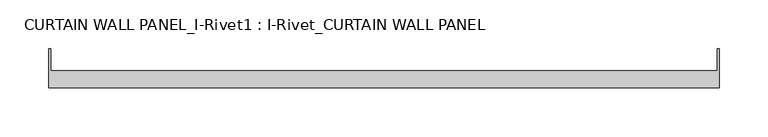
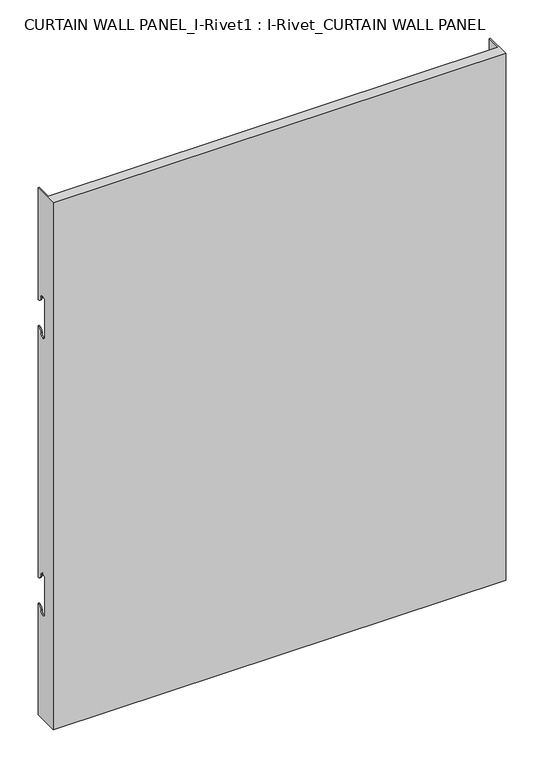
"""IFC4 building model written with IfcOpenShell, lengths in millimetres: plate geometry, CURTAIN WALL PANEL_I-Rivet1 : I-Rivet_CURTAIN WALL PANEL."""

from ifc_helpers import new_model, si_unit, frame, origin, place, context, project, spatial, polyline, circle_curve, source, transform, mapped, element, save
from ifc_brep_helpers import plane_surface, cylinder_surface, revolved_surface, advanced_brep


def curtain_wall_panel_i_rivet1_i_rivet_curtain_wall_panel_358ef61e(model_context):
    return source(origin(), model_context, "Body", "AdvancedBrep", [
        advanced_brep(
        [(-342.987136, -85.0, 845.0), (342.987136, -85.0, 845.0), (342.987136, -45.3384103, 845.0), (340.987136, -45.3384103, 845.0), (340.987136, -68.0, 845.0), (-340.987136, -68.0, 845.0), (-340.987136, -45.3384103, 845.0), (-342.987136, -45.3384103, 845.0), (-342.987136, -85.0, 0.0), (-342.987136, -45.3384103, 0.0), (-340.987136, -45.3384103, 0.0), (-340.987136, -68.0, 0.0), (340.987136, -68.0, 0.0), (340.987136, -45.3384103, 0.0), (342.987136, -45.3384103, 0.0), (342.987136, -85.0, 0.0), (-342.987136, -45.3384103, 666.0), (-342.987136, -52.3384103, 673.0), (-342.987136, -63.3384103, 673.0), (-342.987136, -63.3384103, 617.0), (-342.987136, -52.3384103, 617.0), (-342.987136, -45.3384103, 624.0), (-342.987136, -45.3384103, 221.0), (-342.987136, -52.3384103, 228.0), (-342.987136, -63.3384103, 228.0), (-342.987136, -63.3384103, 172.0), (-342.987136, -52.3384103, 172.0), (-342.987136, -45.3384103, 179.0), (-340.987136, -45.3384103, 179.0), (-340.987136, -45.3384103, 624.0), (-340.987136, -45.3384103, 221.0), (-340.987136, -45.3384103, 666.0), (342.987136, -45.3384103, 666.0), (340.987136, -45.3384103, 666.0), (340.987136, -45.3384103, 179.0), (342.987136, -45.3384103, 179.0), (340.987136, -45.3384103, 221.0), (340.987136, -45.3384103, 624.0), (342.987136, -45.3384103, 624.0), (342.987136, -45.3384103, 221.0), (342.987136, -52.3384103, 172.0), (342.987136, -63.3384103, 172.0), (342.987136, -63.3384103, 228.0), (342.987136, -52.3384103, 228.0), (342.987136, -52.3384103, 617.0), (342.987136, -63.3384103, 617.0), (342.987136, -63.3384103, 673.0), (342.987136, -52.3384103, 673.0), (-340.987136, -52.3384103, 172.0), (-340.987136, -63.3384103, 172.0), (-340.987136, -63.3384103, 228.0), (-340.987136, -52.3384103, 228.0), (-340.987136, -52.3384103, 617.0), (-340.987136, -63.3384103, 617.0), (-340.987136, -63.3384103, 673.0), (-340.987136, -52.3384103, 673.0), (340.987136, -52.3384103, 673.0), (340.987136, -63.3384103, 673.0), (340.987136, -63.3384103, 617.0), (340.987136, -52.3384103, 617.0), (340.987136, -52.3384103, 228.0), (340.987136, -63.3384103, 228.0), (340.987136, -63.3384103, 172.0), (340.987136, -52.3384103, 172.0)],
        [
            (0, 1),
            (1, 2),
            (2, 3),
            (3, 4),
            (4, 5),
            (5, 6),
            (6, 7),
            (7, 0),
            (8, 9),
            (9, 10),
            (10, 11),
            (11, 12),
            (12, 13),
            (13, 14),
            (14, 15),
            (15, 8),
            (7, 16),
            (16, 17, circle_curve(frame((-342.987136, -45.3384103, 673.0), z_axis=(-1.0, 0.0, 0.0), x_axis=(0.0, -1.0, 0.0)), 7.0)),
            (17, 18, circle_curve(frame((-342.987136, -57.8384103, 673.0), z_axis=(1.0, 0.0, 0.0), x_axis=(0.0, -1.0, 0.0)), 5.5)),
            (18, 19),
            (19, 20, circle_curve(frame((-342.987136, -57.8384103, 617.0), z_axis=(1.0, 0.0, 0.0), x_axis=(0.0, -1.0, 0.0)), 5.5)),
            (20, 21, circle_curve(frame((-342.987136, -45.3384103, 617.0), z_axis=(-1.0, 0.0, 0.0), x_axis=(0.0, -1.0, 0.0)), 7.0)),
            (21, 22),
            (22, 23, circle_curve(frame((-342.987136, -45.3384103, 228.0), z_axis=(-1.0, 0.0, 0.0), x_axis=(0.0, -1.0, 0.0)), 7.0)),
            (23, 24, circle_curve(frame((-342.987136, -57.8384103, 228.0), z_axis=(1.0, 0.0, 0.0), x_axis=(0.0, -1.0, 0.0)), 5.5)),
            (24, 25),
            (25, 26, circle_curve(frame((-342.987136, -57.8384103, 172.0), z_axis=(1.0, 0.0, 0.0), x_axis=(0.0, -1.0, 0.0)), 5.5)),
            (26, 27, circle_curve(frame((-342.987136, -45.3384103, 172.0), z_axis=(-1.0, 0.0, 0.0), x_axis=(0.0, -1.0, 0.0)), 7.0)),
            (27, 9),
            (8, 0),
            (27, 28),
            (28, 10),
            (21, 29),
            (29, 30),
            (30, 22),
            (6, 31),
            (31, 16),
            (2, 32),
            (32, 33),
            (33, 3),
            (13, 34),
            (34, 35),
            (35, 14),
            (36, 37),
            (37, 38),
            (38, 39),
            (39, 36),
            (1, 15),
            (35, 40, circle_curve(frame((342.987136, -45.3384103, 172.0), z_axis=(1.0, 0.0, 0.0), x_axis=(0.0, -1.0, 0.0)), 7.0)),
            (40, 41, circle_curve(frame((342.987136, -57.8384103, 172.0), z_axis=(-1.0, 0.0, 0.0), x_axis=(0.0, -1.0, 0.0)), 5.5)),
            (41, 42),
            (42, 43, circle_curve(frame((342.987136, -57.8384103, 228.0), z_axis=(-1.0, 0.0, 0.0), x_axis=(0.0, -1.0, 0.0)), 5.5)),
            (43, 39, circle_curve(frame((342.987136, -45.3384103, 228.0), z_axis=(1.0, 0.0, 0.0), x_axis=(0.0, -1.0, 0.0)), 7.0)),
            (38, 44, circle_curve(frame((342.987136, -45.3384103, 617.0), z_axis=(1.0, 0.0, 0.0), x_axis=(0.0, -1.0, 0.0)), 7.0)),
            (44, 45, circle_curve(frame((342.987136, -57.8384103, 617.0), z_axis=(-1.0, 0.0, 0.0), x_axis=(0.0, -1.0, 0.0)), 5.5)),
            (45, 46),
            (46, 47, circle_curve(frame((342.987136, -57.8384103, 673.0), z_axis=(-1.0, 0.0, 0.0), x_axis=(0.0, -1.0, 0.0)), 5.5)),
            (47, 32, circle_curve(frame((342.987136, -45.3384103, 673.0), z_axis=(1.0, 0.0, 0.0), x_axis=(0.0, -1.0, 0.0)), 7.0)),
            (5, 11),
            (28, 48, circle_curve(frame((-340.987136, -45.3384103, 172.0), z_axis=(1.0, 0.0, 0.0), x_axis=(0.0, -1.0, 0.0)), 7.0)),
            (48, 49, circle_curve(frame((-340.987136, -57.8384103, 172.0), z_axis=(-1.0, 0.0, 0.0), x_axis=(0.0, -1.0, 0.0)), 5.5)),
            (49, 50),
            (50, 51, circle_curve(frame((-340.987136, -57.8384103, 228.0), z_axis=(-1.0, 0.0, 0.0), x_axis=(0.0, -1.0, 0.0)), 5.5)),
            (51, 30, circle_curve(frame((-340.987136, -45.3384103, 228.0), z_axis=(1.0, 0.0, 0.0), x_axis=(0.0, -1.0, 0.0)), 7.0)),
            (29, 52, circle_curve(frame((-340.987136, -45.3384103, 617.0), z_axis=(1.0, 0.0, 0.0), x_axis=(0.0, -1.0, 0.0)), 7.0)),
            (52, 53, circle_curve(frame((-340.987136, -57.8384103, 617.0), z_axis=(-1.0, 0.0, 0.0), x_axis=(0.0, -1.0, 0.0)), 5.5)),
            (53, 54),
            (54, 55, circle_curve(frame((-340.987136, -57.8384103, 673.0), z_axis=(-1.0, 0.0, 0.0), x_axis=(0.0, -1.0, 0.0)), 5.5)),
            (55, 31, circle_curve(frame((-340.987136, -45.3384103, 673.0), z_axis=(1.0, 0.0, 0.0), x_axis=(0.0, -1.0, 0.0)), 7.0)),
            (33, 56, circle_curve(frame((340.987136, -45.3384103, 673.0), z_axis=(-1.0, 0.0, 0.0), x_axis=(0.0, -1.0, 0.0)), 7.0)),
            (56, 57, circle_curve(frame((340.987136, -57.8384103, 673.0), z_axis=(1.0, 0.0, 0.0), x_axis=(0.0, -1.0, 0.0)), 5.5)),
            (57, 58),
            (58, 59, circle_curve(frame((340.987136, -57.8384103, 617.0), z_axis=(1.0, 0.0, 0.0), x_axis=(0.0, -1.0, 0.0)), 5.5)),
            (59, 37, circle_curve(frame((340.987136, -45.3384103, 617.0), z_axis=(-1.0, 0.0, 0.0), x_axis=(0.0, -1.0, 0.0)), 7.0)),
            (36, 60, circle_curve(frame((340.987136, -45.3384103, 228.0), z_axis=(-1.0, 0.0, 0.0), x_axis=(0.0, -1.0, 0.0)), 7.0)),
            (60, 61, circle_curve(frame((340.987136, -57.8384103, 228.0), z_axis=(1.0, 0.0, 0.0), x_axis=(0.0, -1.0, 0.0)), 5.5)),
            (61, 62),
            (62, 63, circle_curve(frame((340.987136, -57.8384103, 172.0), z_axis=(1.0, 0.0, 0.0), x_axis=(0.0, -1.0, 0.0)), 5.5)),
            (63, 34, circle_curve(frame((340.987136, -45.3384103, 172.0), z_axis=(-1.0, 0.0, 0.0), x_axis=(0.0, -1.0, 0.0)), 7.0)),
            (12, 4),
            (41, 62),
            (61, 42),
            (49, 25),
            (24, 50),
            (40, 63),
            (48, 26),
            (51, 23),
            (43, 60),
            (18, 54),
            (53, 19),
            (57, 46),
            (45, 58),
            (17, 55),
            (56, 47),
            (59, 44),
            (20, 52),
        ],
        [
            plane_surface(frame((-342.987136, -45.3384103, 845.0), z_axis=(0.0, 0.0, 1.0), x_axis=(0.0, 1.0, 0.0))),
            plane_surface(frame((-342.987136, -45.3384103, 0.0), z_axis=(0.0, 0.0, -1.0), x_axis=(0.0, -1.0, 0.0))),
            plane_surface(frame((-342.987136, -85.0, 845.0), z_axis=(-1.0, 0.0, 0.0), x_axis=(0.0, 0.0, -1.0))),
            plane_surface(frame((-342.987136, -45.3384103, 845.0), z_axis=(0.0, 1.0, 0.0), x_axis=(0.0, 0.0, -1.0))),
            plane_surface(frame((340.987136, -45.3384103, 845.0), z_axis=(0.0, 1.0, 0.0), x_axis=(0.0, 0.0, -1.0))),
            plane_surface(frame((342.987136, -45.3384103, 845.0), z_axis=(1.0, 0.0, 0.0), x_axis=(0.0, 0.0, -1.0))),
            plane_surface(frame((342.987136, -85.0, 845.0), z_axis=(0.0, -1.0, 0.0), x_axis=(0.0, 0.0, -1.0))),
            plane_surface(frame((-340.987136, -45.3384103, 845.0), z_axis=(1.0, 0.0, 0.0), x_axis=(0.0, 0.0, -1.0))),
            plane_surface(frame((340.987136, -68.0, 845.0), z_axis=(-1.0, 0.0, 0.0), x_axis=(0.0, 0.0, -1.0))),
            plane_surface(frame((-341.987136, -68.0, 845.0), z_axis=(0.0, 1.0, 0.0), x_axis=(0.0, 0.0, -1.0))),
            plane_surface(frame((-342.987136, -63.3384103, 228.0), z_axis=(0.0, 1.0, 0.0), x_axis=(1.0, 0.0, 0.0))),
            revolved_surface(polyline([(340.987136, -63.3384103, 172.0), (342.987136, -63.3384103, 172.0)]), (-342.987136, -57.8384103, 172.0), (-1.0, 0.0, 0.0)),
            revolved_surface(polyline([(-342.987136, -63.3384103, 172.0), (-340.987136, -63.3384103, 172.0)]), (-342.987136, -57.8384103, 172.0), (-1.0, 0.0, 0.0)),
            cylinder_surface(frame((-342.987136, -45.3384103, 172.0), z_axis=(1.0, 0.0, 0.0), x_axis=(0.0, -1.0, 0.0)), 7.0),
            cylinder_surface(frame((-342.987136, -45.3384103, 228.0), z_axis=(1.0, 0.0, 0.0), x_axis=(0.0, -1.0, 0.0)), 7.0),
            revolved_surface(polyline([(-342.987136, -63.3384103, 228.0), (-340.987136, -63.3384103, 228.0)]), (-342.987136, -57.8384103, 228.0), (-1.0, 0.0, 0.0)),
            revolved_surface(polyline([(340.987136, -63.3384103, 228.0), (342.987136, -63.3384103, 228.0)]), (-342.987136, -57.8384103, 228.0), (-1.0, 0.0, 0.0)),
            plane_surface(frame((342.987136, -63.3384103, 617.0), z_axis=(0.0, 1.0, 0.0), x_axis=(-1.0, 0.0, 0.0))),
            revolved_surface(polyline([(-340.987136, -63.3384103, 673.0), (-342.987136, -63.3384103, 673.0)]), (342.987136, -57.8384103, 673.0), (1.0, 0.0, 0.0)),
            revolved_surface(polyline([(342.987136, -63.3384103, 673.0), (340.987136, -63.3384103, 673.0)]), (342.987136, -57.8384103, 673.0), (1.0, 0.0, 0.0)),
            cylinder_surface(frame((342.987136, -45.3384103, 673.0), z_axis=(-1.0, 0.0, 0.0), x_axis=(0.0, -1.0, 0.0)), 7.0),
            cylinder_surface(frame((342.987136, -45.3384103, 617.0), z_axis=(-1.0, 0.0, 0.0), x_axis=(0.0, -1.0, 0.0)), 7.0),
            revolved_surface(polyline([(342.987136, -63.3384103, 617.0), (340.987136, -63.3384103, 617.0)]), (342.987136, -57.8384103, 617.0), (1.0, 0.0, 0.0)),
            revolved_surface(polyline([(-340.987136, -63.3384103, 617.0), (-342.987136, -63.3384103, 617.0)]), (342.987136, -57.8384103, 617.0), (1.0, 0.0, 0.0)),
        ],
        [
            (0, [[1, 2, 3, 4, 5, 6, 7, 8]]),
            (1, [[9, 10, 11, 12, 13, 14, 15, 16]]),
            (2, [[17, 18, 19, 20, 21, 22, 23, 24, 25, 26, 27, 28, 29, -9, 30, -8]]),
            (3, [[-29, 31, 32, -10]]),
            (3, [[-23, 33, 34, 35]]),
            (3, [[36, 37, -17, -7]]),
            (4, [[38, 39, 40, -3]]),
            (4, [[41, 42, 43, -14]]),
            (4, [[44, 45, 46, 47]]),
            (5, [[48, -15, -43, 49, 50, 51, 52, 53, -46, 54, 55, 56, 57, 58, -38, -2]]),
            (6, [[-30, -16, -48, -1]]),
            (7, [[59, -11, -32, 60, 61, 62, 63, 64, -34, 65, 66, 67, 68, 69, -36, -6]]),
            (8, [[-40, 70, 71, 72, 73, 74, -44, 75, 76, 77, 78, 79, -41, -13, 80, -4]]),
            (9, [[-80, -12, -59, -5]]),
            (10, [[-51, 81, -77, 82]]),
            (10, [[-62, 83, -26, 84]]),
            (11, [[-50, 85, -78, -81]]),
            (12, [[-61, 86, -27, -83]]),
            (13, [[-49, -42, -79, -85]]),
            (13, [[-60, -31, -28, -86]]),
            (14, [[-24, -35, -64, 87]]),
            (14, [[-75, -47, -53, 88]]),
            (15, [[-25, -87, -63, -84]]),
            (16, [[-76, -88, -52, -82]]),
            (17, [[-20, 89, -67, 90]]),
            (17, [[-72, 91, -56, 92]]),
            (18, [[-19, 93, -68, -89]]),
            (19, [[-71, 94, -57, -91]]),
            (20, [[-18, -37, -69, -93]]),
            (20, [[-70, -39, -58, -94]]),
            (21, [[-54, -45, -74, 95]]),
            (21, [[-65, -33, -22, 96]]),
            (22, [[-55, -95, -73, -92]]),
            (23, [[-66, -96, -21, -90]]),
        ],
    ),
    ])


if __name__ == "__main__":
    model = new_model("IFC4")
    model_context = context("Model", 3, world=origin())
    ifc_project = project(units=[si_unit("LENGTHUNIT", "METRE", prefix="MILLI")], contexts=[model_context])
    site = spatial("IfcSite", under=ifc_project)
    building = spatial("IfcBuilding", under=site)
    placement = place(None, origin())
    curtain_wall_panel_i_rivet1_i_rivet_curtain_wall_panel_shape = curtain_wall_panel_i_rivet1_i_rivet_curtain_wall_panel_358ef61e(model_context)
    element("IfcPlate", 1, ObjectType="CURTAIN WALL PANEL_I-Rivet1 : I-Rivet_CURTAIN WALL PANEL", at=placement, inside=building, context=model_context, shape_type="MappedRepresentation", body=[
        mapped(curtain_wall_panel_i_rivet1_i_rivet_curtain_wall_panel_shape, transform((0.0, 0.0, 0.0), x_axis=(1.0, 0.0, 0.0), y_axis=(0.0, 1.0, 0.0), z_axis=(0.0, 0.0, 1.0))),
    ])
    save(model, "model.ifc")
